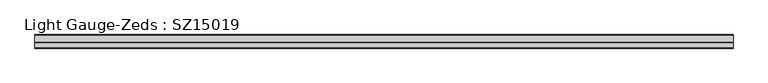
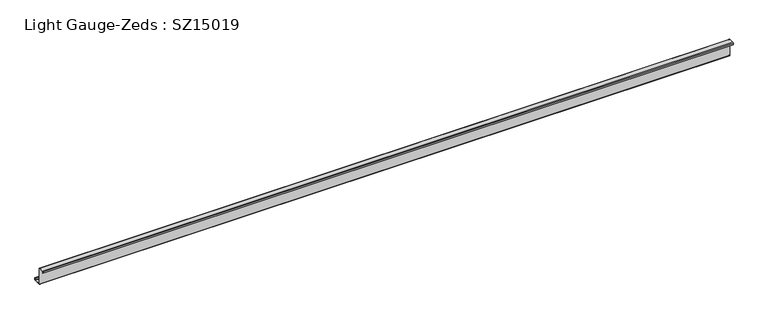
"""IFC4 building model written with IfcOpenShell, lengths in millimetres: beam geometry, Light Gauge-Zeds : SZ15019."""

from ifc_helpers import new_model, si_unit, point, frame, frame_2d, origin, place, context, project, spatial, polyline, circle_curve, trimmed, segment, composite_curve, outline, extrude, source, transform, mapped, element, save


def light_gauge_zeds_sz15019_82e54bd8(model_context):
    return source(origin(), model_context, "Body", "SweptSolid", [
        extrude(outline(composite_curve([segment(polyline([(0.0, -72.1), (0.0, 72.1)]), True, "CONTINUOUS"), segment(trimmed(circle_curve(frame_2d((-2.0, 72.1)), 2.0), [point((0.0, 72.1))], [point((-2.0, 74.1))], True, "CARTESIAN"), True, "CONTINUOUS"), segment(polyline([(-2.0, 74.1), (-46.6, 74.1)]), True, "CONTINUOUS"), segment(trimmed(circle_curve(frame_2d((-46.6, 72.1)), 2.0), [point((-46.6, 74.1))], [point((-48.6, 72.1))], True, "CARTESIAN"), True, "CONTINUOUS"), segment(polyline([(-48.6, 72.1), (-48.6, 58.0), (-50.5, 58.0), (-50.5, 72.1)]), True, "CONTINUOUS"), segment(trimmed(circle_curve(frame_2d((-46.6, 72.1)), 3.9), [point((-50.5, 72.1))], [point((-46.6, 76.0))], False, "CARTESIAN"), True, "CONTINUOUS"), segment(polyline([(-46.6, 76.0), (-2.0, 76.0)]), True, "CONTINUOUS"), segment(trimmed(circle_curve(frame_2d((-2.0, 72.1)), 3.9), [point((-2.0, 76.0))], [point((1.9, 72.1))], False, "CARTESIAN"), True, "CONTINUOUS"), segment(polyline([(1.9, 72.1), (1.9, -72.1)]), True, "CONTINUOUS"), segment(trimmed(circle_curve(frame_2d((3.9, -72.1)), 2.0), [point((1.9, -72.1))], [point((3.9, -74.1))], True, "CARTESIAN"), True, "CONTINUOUS"), segment(polyline([(3.9, -74.1), (63.6, -74.1)]), True, "CONTINUOUS"), segment(trimmed(circle_curve(frame_2d((63.6, -72.1)), 2.0), [point((63.6, -74.1))], [point((65.6, -72.1))], True, "CARTESIAN"), True, "CONTINUOUS"), segment(polyline([(65.6, -72.1), (65.6, -57.0), (67.5, -57.0), (67.5, -72.1)]), True, "CONTINUOUS"), segment(trimmed(circle_curve(frame_2d((63.6, -72.1)), 3.9), [point((67.5, -72.1))], [point((63.6, -76.0))], False, "CARTESIAN"), True, "CONTINUOUS"), segment(polyline([(63.6, -76.0), (3.9, -76.0)]), True, "CONTINUOUS"), segment(trimmed(circle_curve(frame_2d((3.9, -72.1)), 3.9), [point((3.9, -76.0))], [point((0.0, -72.1))], False, "CARTESIAN"), True, "CONTINUOUS")], self_intersect=False)), frame((-3193.5, 0.0, 0.0), z_axis=(1.0, 0.0, 0.0), x_axis=(0.0, 1.0, 0.0)), (0.0, 0.0, 1.0), 6026.0),
    ])


if __name__ == "__main__":
    model = new_model("IFC4")
    model_context = context("Model", 3, world=origin())
    ifc_project = project(units=[si_unit("LENGTHUNIT", "METRE", prefix="MILLI")], contexts=[model_context])
    site = spatial("IfcSite", under=ifc_project)
    building = spatial("IfcBuilding", under=site)
    placement = place(None, origin())
    light_gauge_zeds_sz15019_shape = light_gauge_zeds_sz15019_82e54bd8(model_context)
    element("IfcBeam", 1, ObjectType="Light Gauge-Zeds : SZ15019", at=placement, inside=building, context=model_context, shape_type="MappedRepresentation", body=[
        mapped(light_gauge_zeds_sz15019_shape, transform((0.0, 0.0, 0.0), x_axis=(1.0, 0.0, 0.0), y_axis=(0.0, 1.0, 0.0), z_axis=(0.0, 0.0, 1.0))),
    ])
    save(model, "model.ifc")
